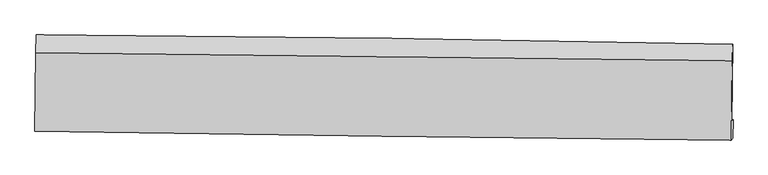
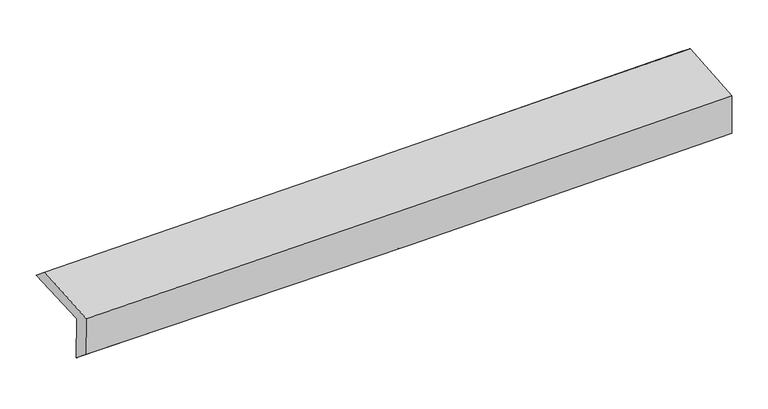
"""IFC4 building model written with IfcOpenShell, lengths in millimetres: proxy geometry."""

from ifc_helpers import new_model, si_unit, frame, origin, place, context, project, spatial, source, transform, mapped, element, save
from ifc_brep_helpers import plane_surface, spline_curve, spline_surface, advanced_brep


def generic_models_ce7bd10e(model_context):
    return source(origin(), model_context, "Body", "AdvancedBrep", [
        advanced_brep(
        [(-3013.8009188, -1762.4541349, 1958.500545), (-3006.73741, -1093.4964175, 1981.3454492), (2999.7559301, -1172.663066, 2146.3614298), (2992.2301464, -1836.9514836, 2112.4879635), (-3004.0804239, -1742.094003, 1557.0608474), (3002.0014616, -1826.4587899, 1703.6486003), (-3009.3371866, -1912.3259908, 1697.5941243), (2997.0660589, -1986.2464883, 1828.0430774), (-3018.048581, -1925.6266808, 2059.7379211), (2987.8026137, -2000.2174712, 2213.4942954), (-3011.3976906, -1245.4215336, 2105.4471817), (2995.3054388, -1314.7950106, 2259.5737043)],
        [
            (0, 1),
            (1, 2, spline_curve(3, [(-3006.73741, -1093.4964175, 1981.3454492), (-2005.265586782, -1099.373421965, 1996.318003673), (-1003.992284406, -1108.909068808, 2017.555464033), (998.172168023, -1135.297842847, 2072.560604244), (1999.063312709, -1152.151078828, 2106.328471059), (2999.7559301, -1172.663066, 2146.3614298)], [4, 2, 4], [0.0, 9.85715130387114, 19.714449225276834])),
            (2, 3),
            (3, 0, spline_curve(3, [(2992.2301464, -1836.9514836, 2112.4879635), (1991.425047711, -1826.267394301, 2077.707052607), (990.516186725, -1814.717184706, 2047.484250743), (-1011.494171654, -1789.884709375, 1996.155246794), (-2012.595665482, -1776.602469538, 1975.048909023), (-3013.8009188, -1762.4541349, 1958.500545)], [4, 2, 4], [0.0, 9.857297921405694, 19.714449225276834])),
            (4, 0),
            (3, 5),
            (5, 4, spline_curve(3, [(3002.0014616, -1826.4587899, 1703.6486003), (2001.252892865, -1810.669341259, 1669.183550991), (1000.368061046, -1795.744172458, 1639.735326674), (-1001.659237849, -1767.622602283, 1590.872891719), (-2002.801701736, -1754.426175871, 1571.458531449), (-3004.0804239, -1742.094003, 1557.0608474)], [4, 2, 4], [0.0, 9.856606426997086, 19.71306624674491])),
            (6, 4),
            (5, 7),
            (7, 6, spline_curve(3, [(2997.0660589, -1986.2464883, 1828.0430774), (1996.175548436, -1975.553149269, 1798.234083962), (995.192966222, -1964.04638629, 1772.458790378), (-1006.941451429, -1939.406196161, 1728.975926007), (-2008.093284452, -1926.272793388, 1711.268235145), (-3009.3371866, -1912.3259908, 1697.5941243)], [4, 2, 4], [0.0, 9.85642717179087, 19.71270773899872])),
            (8, 6),
            (7, 9),
            (9, 8, spline_curve(3, [(2987.8026137, -2000.2174712, 2213.4942954), (1986.869029966, -1989.679383246, 2185.383248927), (985.91091635, -1978.194386907, 2158.514608216), (-1016.039482926, -1953.330761805, 2107.262520749), (-2017.031767173, -1939.952161526, 2082.879036177), (-3018.048581, -1925.6266808, 2059.7379211)], [4, 2, 4], [0.0, 9.856198982991716, 19.712251364794493])),
            (10, 8),
            (9, 11),
            (11, 10, spline_curve(3, [(2995.3054388, -1314.7950106, 2259.5737043), (1994.246305328, -1303.441801527, 2231.514173138), (993.154421656, -1291.984030396, 2204.640443798), (-1009.07995592, -1268.859534782, 2153.264971684), (-2010.222448456, -1257.192813745, 2128.763193412), (-3011.3976906, -1245.4215336, 2105.4471817)], [4, 2, 4], [0.0, 9.85684161838352, 19.71353662601954])),
            (1, 10),
            (11, 2),
        ],
        [
            spline_surface(3, 3, [[(-3013.8009188, -1762.4541349, 1958.500545), (-2012.595665439, -1776.602469457, 1975.048909178), (-1011.494171546, -1789.884709375, 1996.155246826), (990.516186616, -1814.717184706, 2047.484250711), (1991.425047773, -1826.267394356, 2077.707052605), (2992.2301464, -1836.9514836, 2112.4879635)], [(-3011.446415859, -1539.468229101, 1966.115513075), (-2010.152305863, -1550.859453677, 1982.138607364), (-1008.993542543, -1562.892829196, 2003.288652506), (993.068180437, -1588.244070757, 2055.843035256), (1993.971136046, -1601.561955903, 2087.247525448), (2994.738740978, -1615.522011095, 2123.77911895)], [(-3009.091912941, -1316.482323299, 1973.730481125), (-2007.70894631, -1325.116437892, 1989.228305525), (-1006.492913503, -1335.900948996, 2010.422058218), (995.620174295, -1361.770956787, 2064.201819834), (1996.517224287, -1376.856517364, 2096.787998242), (2997.247335522, -1394.092538505, 2135.07027435)], [(-3006.73741, -1093.4964175, 1981.3454492), (-2005.265586734, -1099.373422111, 1996.318003711), (-1003.9922845, -1108.909068817, 2017.555463898), (998.172168117, -1135.297842838, 2072.560604379), (1999.06331256, -1152.151078911, 2106.328471085), (2999.7559301, -1172.663066, 2146.3614298)]], [4, 4], [4, 2, 4], [0.0, 2.2330594448575547], [0.0, 9.85715130387114, 19.714449225276834]),
            spline_surface(3, 3, [[(-3004.0804239, -1742.094003, 1557.0608474), (-2002.801701623, -1754.426175783, 1571.458531585), (-1001.659238009, -1767.622602411, 1590.872891676), (1000.368061205, -1795.744172331, 1639.735326717), (2001.25289277, -1810.669341343, 1669.183550965), (3002.0014616, -1826.4587899, 1703.6486003)], [(-3007.320588873, -1748.880713605, 1690.874079924), (-2006.066356235, -1761.818273647, 1705.98865744), (-1004.937549184, -1775.043304726, 1725.967010071), (997.084103012, -1802.068509783, 1775.651634727), (1997.976944445, -1815.868692323, 1805.358051501), (2998.744356541, -1829.956354442, 1839.928388022)], [(-3010.560753827, -1755.667424295, 1824.687312476), (-2009.331010827, -1769.210371594, 1840.518783323), (-1008.21586037, -1782.46400706, 1861.061128431), (993.800144809, -1808.392847254, 1911.567942701), (1994.700996098, -1821.068043377, 1941.53255207), (2995.487251459, -1833.453919058, 1976.208175778)], [(-3013.8009188, -1762.4541349, 1958.500545), (-2012.595665439, -1776.602469457, 1975.048909178), (-1011.494171546, -1789.884709375, 1996.155246826), (990.516186616, -1814.717184706, 2047.484250711), (1991.425047773, -1826.267394356, 2077.707052605), (2992.2301464, -1836.9514836, 2112.4879635)]], [4, 4], [4, 2, 4], [0.0, 1.3358174644789018], [0.0, 9.856459819747823, 19.71306624674491]),
            spline_surface(3, 3, [[(-3009.3371866, -1912.3259908, 1697.5941243), (-2008.09328457, -1926.272793309, 1711.268235268), (-1006.941451561, -1939.406196195, 1728.975926006), (995.192966355, -1964.046386256, 1772.458790378), (1996.175548492, -1975.553149143, 1798.234084008), (2997.0660589, -1986.2464883, 1828.0430774)], [(-3007.584932372, -1855.581994896, 1650.749698675), (-2006.329423593, -1868.990587496, 1664.665000715), (-1005.180713702, -1882.144998259, 1682.941581212), (996.91799798, -1907.945648272, 1728.217635807), (1997.867996563, -1920.591879872, 1755.217239651), (2998.711193112, -1932.983922162, 1786.57825169)], [(-3005.832678128, -1798.837998904, 1603.905273025), (-2004.5655626, -1811.708381596, 1618.061766138), (-1003.419975869, -1824.883800348, 1636.90723647), (998.64302958, -1851.844910314, 1683.976481288), (1999.560444699, -1865.630610614, 1712.200395323), (3000.356327388, -1879.721356038, 1745.11342601)], [(-3004.0804239, -1742.094003, 1557.0608474), (-2002.801701623, -1754.426175783, 1571.458531585), (-1001.659238009, -1767.622602411, 1590.872891676), (1000.368061205, -1795.744172331, 1639.735326717), (2001.25289277, -1810.669341343, 1669.183550965), (3002.0014616, -1826.4587899, 1703.6486003)]], [4, 4], [4, 2, 4], [0.0, 0.7133745310953519], [0.0, 9.85628056720785, 19.71270773899872]),
            spline_surface(3, 3, [[(-3018.048581, -1925.6266808, 2059.7379211), (-2017.031767195, -1939.952161478, 2082.879036296), (-1016.039482784, -1953.330761879, 2107.262520587), (985.910916208, -1978.194386833, 2158.514608378), (1986.869029973, -1989.679383261, 2185.383248888), (2987.8026137, -2000.2174712, 2213.4942954)], [(-3015.144782847, -1921.19311745, 1939.023322165), (-2014.052272967, -1935.392372072, 1959.008769285), (-1013.006805722, -1948.689240008, 1981.166989069), (989.004932911, -1973.478386665, 2029.82933572), (1989.971202814, -1984.970638582, 2056.333527277), (2990.890428768, -1995.560476927, 2085.010556082)], [(-3012.240984753, -1916.75955415, 1818.308723235), (-2011.072778798, -1930.832582715, 1835.138502278), (-1009.974128623, -1944.047718066, 1855.071457525), (992.098949652, -1968.762386424, 1901.144063036), (1993.073375651, -1980.261893822, 1927.28380562), (2993.978243832, -1990.903482573, 1956.526816718)], [(-3009.3371866, -1912.3259908, 1697.5941243), (-2008.09328457, -1926.272793309, 1711.268235268), (-1006.941451561, -1939.406196195, 1728.975926006), (995.192966355, -1964.046386256, 1772.458790378), (1996.175548492, -1975.553149143, 1798.234084008), (2997.0660589, -1986.2464883, 1828.0430774)]], [4, 4], [4, 2, 4], [0.0, 1.2550503391252346], [0.0, 9.856052381802778, 19.712251364794493]),
            spline_surface(3, 3, [[(-3011.3976906, -1245.4215336, 2105.4471817), (-2010.222448563, -1257.19281386, 2128.763193292), (-1009.079955837, -1268.859534856, 2153.264971599), (993.154421574, -1291.984030322, 2204.640443884), (1994.246305375, -1303.441801615, 2231.514173057), (2995.3054388, -1314.7950106, 2259.5737043)], [(-3013.614654097, -1472.156582681, 2090.210761524), (-2012.492221471, -1484.779263081, 2113.468474317), (-1011.399798142, -1497.016610526, 2137.93082126), (990.739919795, -1520.720815822, 2189.26516538), (1991.787213602, -1532.187662142, 2216.137198314), (2992.804497128, -1543.269164112, 2244.213901313)], [(-3015.831617503, -1698.891631719, 2074.974341276), (-2014.761994287, -1712.365712257, 2098.173755271), (-1013.719640478, -1725.173686209, 2122.596670926), (988.325417986, -1749.457601334, 2173.889886882), (1989.328121745, -1760.933522733, 2200.760223631), (2990.303555372, -1771.743317688, 2228.854098387)], [(-3018.048581, -1925.6266808, 2059.7379211), (-2017.031767195, -1939.952161478, 2082.879036296), (-1016.039482784, -1953.330761879, 2107.262520587), (985.910916208, -1978.194386833, 2158.514608378), (1986.869029973, -1989.679383261, 2185.383248888), (2987.8026137, -2000.2174712, 2213.4942954)]], [4, 4], [4, 2, 4], [0.0, 2.2536871237096574], [0.0, 9.85669500763602, 19.71353662601954]),
            spline_surface(3, 3, [[(-3006.73741, -1093.4964175, 1981.3454492), (-2005.265586734, -1099.373422111, 1996.318003711), (-1003.9922845, -1108.909068817, 2017.555463898), (998.172168117, -1135.297842838, 2072.560604379), (1999.06331256, -1152.151078911, 2106.328471085), (2999.7559301, -1172.663066, 2146.3614298)], [(-3008.290836852, -1144.138122866, 2022.712693337), (-2006.917873995, -1151.979886027, 2040.466400208), (-1005.688174944, -1162.225890818, 2062.791966475), (996.499585938, -1187.526571987, 2116.587217557), (1997.457643472, -1202.581319807, 2148.057038419), (2998.272432974, -1220.040380861, 2184.098854643)], [(-3009.844263748, -1194.779828234, 2064.079937563), (-2008.570161302, -1204.586349944, 2084.614796795), (-1007.384065394, -1215.542712856, 2108.028469022), (994.827003752, -1239.755301173, 2160.613830705), (1995.851974463, -1253.011560719, 2189.785605723), (2996.788935926, -1267.417695739, 2221.836279457)], [(-3011.3976906, -1245.4215336, 2105.4471817), (-2010.222448563, -1257.19281386, 2128.763193292), (-1009.079955837, -1268.859534856, 2153.264971599), (993.154421574, -1291.984030322, 2204.640443884), (1994.246305375, -1303.441801615, 2231.514173057), (2995.3054388, -1314.7950106, 2259.5737043)]], [4, 4], [4, 2, 4], [0.0, 0.6804717503681689], [0.0, 9.857582979539513, 19.715312583034425]),
            plane_surface(frame((2995.6936083, -1689.5553849, 2043.9348451), z_axis=(0.9996436991154823, -0.012526944138436635, 0.02357011856711603), x_axis=(0.024010035686306778, 0.03621155937717435, -0.9990556747017735))),
            plane_surface(frame((-3010.5670351, -1613.5697934, 1893.2810115), z_axis=(-0.9996562136478649, 0.011362293498858905, -0.023629490084636943), x_axis=(-0.010552237288683639, -0.9993617544072023, -0.03412820118848858))),
        ],
        [
            (0, [[1, 2, 3, 4]]),
            (1, [[5, -4, 6, 7]]),
            (2, [[8, -7, 9, 10]]),
            (3, [[11, -10, 12, 13]]),
            (4, [[14, -13, 15, 16]]),
            (5, [[17, -16, 18, -2]]),
            (6, [[-12, -9, -6, -3, -18, -15]]),
            (7, [[-1, -5, -8, -11, -14, -17]]),
        ],
    ),
    ])


if __name__ == "__main__":
    model = new_model("IFC4")
    model_context = context("Model", 3, world=origin())
    ifc_project = project(units=[si_unit("LENGTHUNIT", "METRE", prefix="MILLI")], contexts=[model_context])
    site = spatial("IfcSite", under=ifc_project)
    building = spatial("IfcBuilding", under=site)
    placement = place(None, origin())
    generic_models_shape = generic_models_ce7bd10e(model_context)
    element("IfcBuildingElementProxy", 1, Name="Generic Models", at=placement, inside=building, context=model_context, shape_type="MappedRepresentation", body=[
        mapped(generic_models_shape, transform((0.0, 0.0, 0.0), x_axis=(1.0, 0.0, 0.0), y_axis=(0.0, 1.0, 0.0), z_axis=(0.0, 0.0, 1.0))),
    ])
    save(model, "model.ifc")
